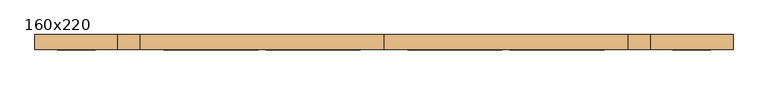
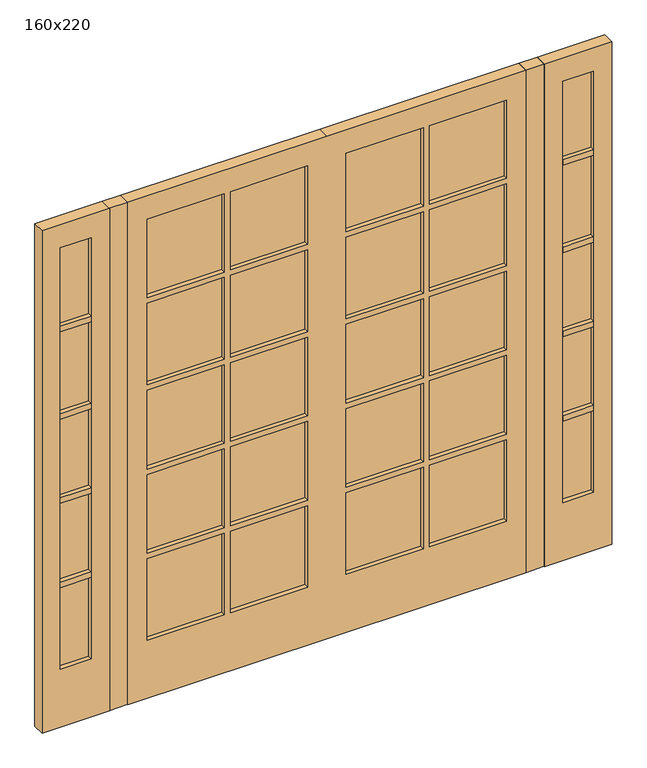
"""IFC4 building model written with IfcOpenShell, lengths in millimetres: door geometry, 160x220."""

from ifc_helpers import new_model, si_unit, frame, origin, origin_with_axes, place, context, project, spatial, polyline, outline, extrude, source, transform, mapped, element, save


def door_160x220_84db9045(model_context):
    return source(origin(), model_context, "Body", "SweptSolid", [
        extrude(outline(polyline([(-745.0, 87.0), (-80.0, 87.0), (-80.0, 74.0), (-745.0, 74.0), (-745.0, 87.0)])), frame((0.0, 0.0, 254.0), z_axis=(0.0, 0.0, 1.0), x_axis=(1.0, 0.0, 0.0)), (0.0, 0.0, 1.0), 1844.4),
        extrude(outline(polyline([(977.4, 87.0), (1105.0, 87.0), (1105.0, 74.0), (977.4, 74.0), (977.4, 87.0)])), frame((0.0, 0.0, 254.0), z_axis=(0.0, 0.0, 1.0), x_axis=(1.0, 0.0, 0.0)), (0.0, 0.0, 1.0), 1844.4),
        extrude(outline(polyline([(-1105.0, 87.0), (-977.4, 87.0), (-977.4, 74.0), (-1105.0, 74.0), (-1105.0, 87.0)])), frame((0.0, 0.0, 254.0), z_axis=(0.0, 0.0, 1.0), x_axis=(1.0, 0.0, 0.0)), (0.0, 0.0, 1.0), 1844.4),
        extrude(outline(polyline([(80.0, 87.0), (745.0, 87.0), (745.0, 74.0), (80.0, 74.0), (80.0, 87.0)])), frame((0.0, 0.0, 254.0), z_axis=(0.0, 0.0, 1.0), x_axis=(1.0, 0.0, 0.0)), (0.0, 0.0, 1.0), 1844.4),
        extrude(outline(polyline([(977.4, 106.0), (1105.0, 106.0), (1105.0, 55.0), (977.4, 55.0), (977.4, 106.0)])), frame((0.0, 0.0, 979.76), z_axis=(0.0, 0.0, 1.0), x_axis=(1.0, 0.0, 0.0)), (0.0, 0.0, 1.0), 24.0),
        extrude(outline(polyline([(977.4, 106.0), (1105.0, 106.0), (1105.0, 55.0), (977.4, 55.0), (977.4, 106.0)])), frame((0.0, 0.0, 610.88), z_axis=(0.0, 0.0, 1.0), x_axis=(1.0, 0.0, 0.0)), (0.0, 0.0, 1.0), 24.0),
        extrude(outline(polyline([(-1105.0, 106.0), (-977.4, 106.0), (-977.4, 55.0), (-1105.0, 55.0), (-1105.0, 106.0)])), frame((0.0, 0.0, 979.76), z_axis=(0.0, 0.0, 1.0), x_axis=(1.0, 0.0, 0.0)), (0.0, 0.0, 1.0), 24.0),
        extrude(outline(polyline([(-1105.0, 106.0), (-977.4, 106.0), (-977.4, 55.0), (-1105.0, 55.0), (-1105.0, 106.0)])), frame((0.0, 0.0, 610.88), z_axis=(0.0, 0.0, 1.0), x_axis=(1.0, 0.0, 0.0)), (0.0, 0.0, 1.0), 24.0),
        extrude(outline(polyline([(2200.0, 0.0), (2200.0, -825.0), (0.0, -825.0), (0.0, 0.0), (0.0, 825.0), (2200.0, 825.0), (2200.0, 0.0)]), holes=[polyline([(1003.76, 745.0), (1003.76, 425.2), (1348.64, 425.2), (1348.64, 745.0), (1003.76, 745.0)]), polyline([(1003.76, 399.8), (1003.76, 80.0), (1348.64, 80.0), (1348.64, 399.8), (1003.76, 399.8)]), polyline([(634.88, 745.0), (634.88, 425.2), (979.76, 425.2), (979.76, 745.0), (634.88, 745.0)]), polyline([(634.88, 399.8), (634.88, 80.0), (979.76, 80.0), (979.76, 399.8), (634.88, 399.8)]), polyline([(254.0, 745.0), (254.0, 425.2), (610.88, 425.2), (610.88, 745.0), (254.0, 745.0)]), polyline([(254.0, 399.8), (254.0, 80.0), (610.88, 80.0), (610.88, 399.8), (254.0, 399.8)]), polyline([(1003.76, -80.0), (1003.76, -399.8), (1348.64, -399.8), (1348.64, -80.0), (1003.76, -80.0)]), polyline([(1003.76, -745.0), (1348.64, -745.0), (1348.64, -425.2), (1003.76, -425.2), (1003.76, -745.0)]), polyline([(634.88, -80.0), (634.88, -399.8), (979.76, -399.8), (979.76, -80.0), (634.88, -80.0)]), polyline([(634.88, -745.0), (979.76, -745.0), (979.76, -425.2), (634.88, -425.2), (634.88, -745.0)]), polyline([(254.0, -80.0), (254.0, -399.8), (610.88, -399.8), (610.88, -80.0), (254.0, -80.0)]), polyline([(254.0, -425.2), (254.0, -745.0), (610.88, -745.0), (610.88, -425.2), (254.0, -425.2)]), polyline([(2098.4, 425.2), (2098.4, 745.0), (1754.8, 745.0), (1754.8, 425.2), (2098.4, 425.2)]), polyline([(1372.64, 745.0), (1372.64, 425.2), (1730.8, 425.2), (1730.8, 745.0), (1372.64, 745.0)]), polyline([(2098.4, 80.0), (2098.4, 399.8), (1754.8, 399.8), (1754.8, 80.0), (2098.4, 80.0)]), polyline([(1372.64, 399.8), (1372.64, 80.0), (1730.8, 80.0), (1730.8, 399.8), (1372.64, 399.8)]), polyline([(2098.4, -399.8), (2098.4, -80.0), (1754.8, -80.0), (1754.8, -399.8), (2098.4, -399.8)]), polyline([(1372.64, -80.0), (1372.64, -399.8), (1730.8, -399.8), (1730.8, -80.0), (1372.64, -80.0)]), polyline([(1730.8, -745.0), (1730.8, -425.2), (1372.64, -425.2), (1372.64, -745.0), (1730.8, -745.0)]), polyline([(2098.4, -425.2), (1754.8, -425.2), (1754.8, -745.0), (2098.4, -745.0), (2098.4, -425.2)])]), frame((0.0, 55.0, 0.0), z_axis=(0.0, 1.0, 0.0), x_axis=(0.0, 0.0, 1.0)), (0.0, 0.0, 1.0), 51.0),
        extrude(outline(polyline([(977.4, 106.0), (1105.0, 106.0), (1105.0, 55.0), (977.4, 55.0), (977.4, 106.0)])), frame((0.0, 0.0, 1348.64), z_axis=(0.0, 0.0, 1.0), x_axis=(1.0, 0.0, 0.0)), (0.0, 0.0, 1.0), 24.0),
        extrude(outline(polyline([(977.4, 106.0), (1105.0, 106.0), (1105.0, 55.0), (977.4, 55.0), (977.4, 106.0)])), frame((0.0, 0.0, 1730.8), z_axis=(0.0, 0.0, 1.0), x_axis=(1.0, 0.0, 0.0)), (0.0, 0.0, 1.0), 24.0),
        extrude(outline(polyline([(-1105.0, 106.0), (-977.4, 106.0), (-977.4, 55.0), (-1105.0, 55.0), (-1105.0, 106.0)])), frame((0.0, 0.0, 1348.64), z_axis=(0.0, 0.0, 1.0), x_axis=(1.0, 0.0, 0.0)), (0.0, 0.0, 1.0), 24.0),
        extrude(outline(polyline([(-1105.0, 106.0), (-977.4, 106.0), (-977.4, 55.0), (-1105.0, 55.0), (-1105.0, 106.0)])), frame((0.0, 0.0, 1730.8), z_axis=(0.0, 0.0, 1.0), x_axis=(1.0, 0.0, 0.0)), (0.0, 0.0, 1.0), 24.0),
        extrude(outline(polyline([(-901.2, 106.0), (-825.0, 106.0), (-825.0, 56.4163215), (-901.2, 56.4163215), (-901.2, 106.0)])), origin_with_axes(), (0.0, 0.0, 1.0), 2200.0),
        extrude(outline(polyline([(825.0, 106.0), (901.2, 106.0), (901.2, 56.4163215), (825.0, 56.4163215), (825.0, 106.0)])), origin_with_axes(), (0.0, 0.0, 1.0), 2200.0),
        extrude(outline(polyline([(2200.0, -901.2), (2200.0, -1181.2), (0.0, -1181.2), (0.0, -901.2), (2200.0, -901.2)]), holes=[polyline([(2098.4, -977.4), (254.0, -977.4), (254.0, -1105.0), (2098.4, -1105.0), (2098.4, -977.4)])]), frame((0.0, 55.0, 0.0), z_axis=(0.0, 1.0, 0.0), x_axis=(0.0, 0.0, 1.0)), (0.0, 0.0, 1.0), 51.0),
        extrude(outline(polyline([(0.0, 901.2), (0.0, 1181.2), (2200.0, 1181.2), (2200.0, 901.2), (0.0, 901.2)]), holes=[polyline([(2098.4, 1105.0), (254.0, 1105.0), (254.0, 977.4), (2098.4, 977.4), (2098.4, 1105.0)])]), frame((0.0, 55.0, 0.0), z_axis=(0.0, 1.0, 0.0), x_axis=(0.0, 0.0, 1.0)), (0.0, 0.0, 1.0), 51.0),
    ])


if __name__ == "__main__":
    model = new_model("IFC4")
    model_context = context("Model", 3, world=origin())
    ifc_project = project(units=[si_unit("LENGTHUNIT", "METRE", prefix="MILLI")], contexts=[model_context])
    site = spatial("IfcSite", under=ifc_project)
    building = spatial("IfcBuilding", under=site)
    placement = place(None, origin())
    door_160x220_shape = door_160x220_84db9045(model_context)
    element("IfcDoor", 1, ObjectType="160x220", at=placement, inside=building, context=model_context, shape_type="MappedRepresentation", body=[
        mapped(door_160x220_shape, transform((0.0, 0.0, 0.0), x_axis=(1.0, 0.0, 0.0), y_axis=(0.0, 1.0, 0.0), z_axis=(0.0, 0.0, 1.0))),
    ])
    save(model, "model.ifc")
